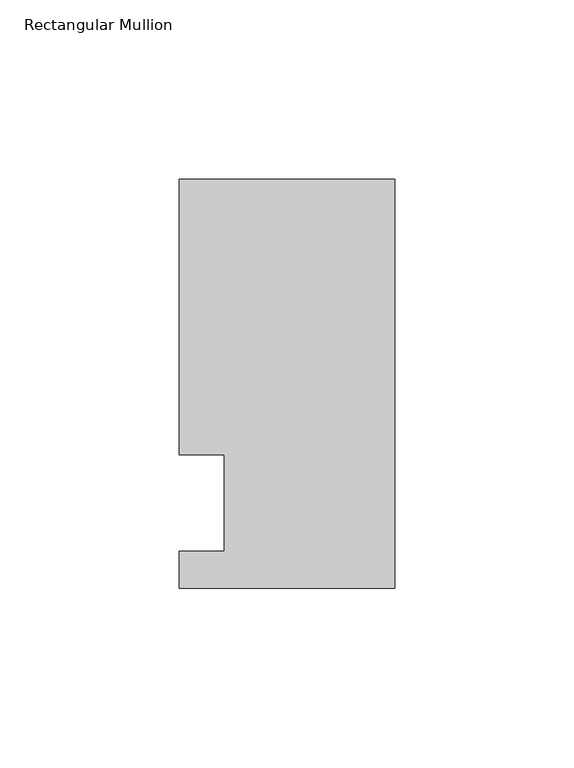
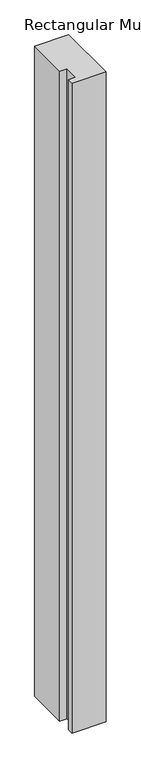
"""IFC4 building model written with IfcOpenShell, lengths in millimetres: member geometry, Rectangular Mullion."""

from ifc_helpers import new_model, si_unit, frame, origin, place, context, project, spatial, polyline, outline, extrude, source, transform, mapped, element, save


def rectangular_mullion_60d299d9(model_context):
    return source(origin(), model_context, "Body", "SweptSolid", [
        extrude(outline(polyline([(-60.325, 90.4875), (0.0, 90.4875), (0.0, -23.8125), (-60.325, -23.8125), (-60.325, -13.49375), (-47.6232296, -13.49375), (-47.6232296, 13.49375), (-60.325, 13.49375), (-60.325, 90.4875)])), frame((0.0, 0.0, -1219.2), z_axis=(0.0, 0.0, 1.0), x_axis=(1.0, 0.0, 0.0)), (0.0, 0.0, 1.0), 1219.2),
    ])


if __name__ == "__main__":
    model = new_model("IFC4")
    model_context = context("Model", 3, world=origin())
    ifc_project = project(units=[si_unit("LENGTHUNIT", "METRE", prefix="MILLI")], contexts=[model_context])
    site = spatial("IfcSite", under=ifc_project)
    building = spatial("IfcBuilding", under=site)
    placement = place(None, origin())
    rectangular_mullion_shape = rectangular_mullion_60d299d9(model_context)
    element("IfcMember", 1, ObjectType="Rectangular Mullion", at=placement, inside=building, context=model_context, shape_type="MappedRepresentation", body=[
        mapped(rectangular_mullion_shape, transform((0.0, 0.0, 0.0), x_axis=(1.0, 0.0, 0.0), y_axis=(0.0, 1.0, 0.0), z_axis=(0.0, 0.0, 1.0))),
    ])
    save(model, "model.ifc")
